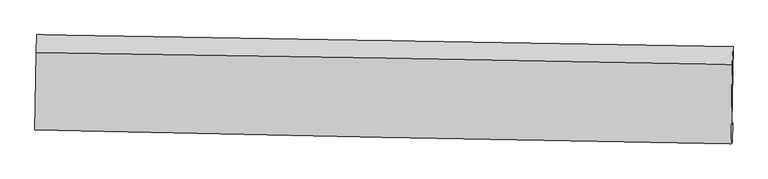
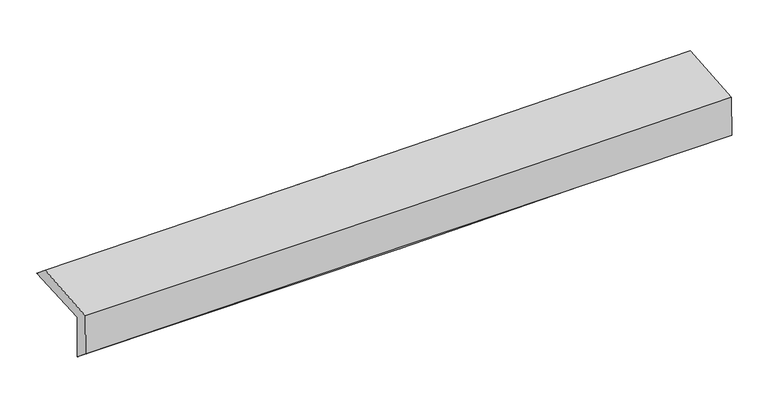
"""IFC4 building model written with IfcOpenShell, lengths in millimetres: proxy geometry."""

from ifc_helpers import new_model, si_unit, frame, origin, place, context, project, spatial, source, transform, mapped, element, save
from ifc_brep_helpers import plane_surface, spline_curve, spline_surface, advanced_brep


def generic_models_c04534aa(model_context):
    return source(origin(), model_context, "Body", "AdvancedBrep", [
        advanced_brep(
        [(-3019.9071214, -1758.3256556, 1969.8491719), (-3008.6851198, -1077.2354073, 1990.406118), (3004.7586169, -1179.0353269, 2124.2230059), (2993.6095025, -1852.5620894, 2110.2079801), (-3010.3233016, -1746.3237838, 1566.9728175), (3003.3141182, -1840.4089443, 1702.253714), (-3015.5665864, -1889.4325445, 1686.6120632), (2997.5435627, -2008.6771957, 1826.9755125), (-3024.7019101, -1900.8727621, 2070.6349248), (2988.3232836, -2020.2238035, 2214.5696566), (-3014.1753017, -1230.3225997, 2113.2879524), (2998.9880288, -1334.6957425, 2258.1730505)],
        [
            (0, 1),
            (1, 2, spline_curve(3, [(-3008.6851198, -1077.2354073, 1990.406118), (-2004.443943944, -1092.408218443, 2000.831015291), (-1000.49573778, -1108.491214929, 2017.219030001), (1003.983857683, -1142.429648634, 2061.858250497), (2004.516896891, -1160.279958711, 2090.075865191), (3004.7586169, -1179.0353269, 2124.2230059)], [4, 2, 4], [0.0, 9.88266416822704, 19.73745360372247])),
            (2, 3),
            (3, 0, spline_curve(3, [(2993.6095025, -1852.5620894, 2110.2079801), (1993.113852489, -1831.069258459, 2072.980402044), (992.447612205, -1812.476795729, 2042.676772314), (-1012.05696298, -1781.048220047, 1995.851278163), (-2015.896263668, -1768.228538381, 1979.368638607), (-3019.9071214, -1758.3256556, 1969.8491719)], [4, 2, 4], [0.0, 9.854789435495432, 19.73745360372247])),
            (4, 0),
            (3, 5),
            (5, 4, spline_curve(3, [(3003.3141182, -1840.4089443, 1702.253714), (2002.884535144, -1818.833377213, 1662.248867465), (1002.241336846, -1800.21205851, 1630.976607023), (-1002.303259342, -1768.833602249, 1585.833504055), (-2006.205868058, -1756.093200811, 1572.012132344), (-3010.3233016, -1746.3237838, 1566.9728175)], [4, 2, 4], [0.0, 9.854997066320713, 19.73786945266653])),
            (6, 4),
            (5, 7),
            (7, 6, spline_curve(3, [(2997.5435627, -2008.6771957, 1826.9755125), (1996.918839107, -1978.271475735, 1798.367610922), (996.221748204, -1953.138138639, 1772.37952043), (-1008.147891613, -1913.360053324, 1725.576862497), (-2011.820850323, -1898.745173254, 1704.777136658), (-3015.5665864, -1889.4325445, 1686.6120632)], [4, 2, 4], [0.0, 9.85490442083198, 19.73768389963697])),
            (8, 6),
            (7, 9),
            (9, 8, spline_curve(3, [(2988.3232836, -2020.2238035, 2214.5696566), (1987.435919925, -2003.413107877, 2186.787819019), (986.61438332, -1985.078042159, 2160.916576788), (-1017.727720841, -1945.302997098, 2112.927509002), (-2021.247915237, -1923.854382352, 2090.820507308), (-3024.7019101, -1900.8727621, 2070.6349248)], [4, 2, 4], [0.0, 9.85476553921056, 19.737405743560966])),
            (10, 8),
            (9, 11),
            (11, 10, spline_curve(3, [(2998.9880288, -1334.6957425, 2258.1730505), (1998.524278094, -1315.154743056, 2230.574164896), (997.90336777, -1296.697232771, 2204.715554304), (-1006.483518536, -1261.900046997, 2156.410662656), (-2010.250385304, -1245.566509713, 2133.974240596), (-3014.1753017, -1230.3225997, 2113.2879524)], [4, 2, 4], [0.0, 9.854629515354818, 19.737133311099647])),
            (1, 10),
            (11, 2),
        ],
        [
            spline_surface(3, 3, [[(-3019.9071214, -1758.3256556, 1969.8491719), (-2015.89626381, -1768.228538463, 1979.368638603), (-1012.056962841, -1781.048220159, 1995.851278123), (992.447612067, -1812.476795617, 2042.676772353), (1993.113852363, -1831.069258521, 2072.980402208), (2993.6095025, -1852.5620894, 2110.2079801)], [(-3016.166454212, -1531.295572824, 1976.701487254), (-2012.078823869, -1542.955098415, 1986.522764192), (-1008.203221102, -1556.862551719, 2002.973862061), (996.293027251, -1589.127746623, 2049.070598422), (1996.914867174, -1607.472825235, 2078.678889892), (2997.325873964, -1628.053168577, 2114.879655343)], [(-3012.425786988, -1304.265490076, 1983.553802646), (-2008.261383892, -1317.681658394, 1993.676889819), (-1004.349479409, -1332.676883324, 2010.096446), (1000.138442389, -1365.778697673, 2055.464424492), (2000.715881994, -1383.876391918, 2084.377377647), (3001.042245436, -1403.544247723, 2119.551330657)], [(-3008.6851198, -1077.2354073, 1990.406118), (-2004.443943951, -1092.408218345, 2000.831015409), (-1000.49573767, -1108.491214885, 2017.219029938), (1003.983857573, -1142.429648678, 2061.858250561), (2004.516896806, -1160.279958632, 2090.07586533), (3004.7586169, -1179.0353269, 2124.2230059)]], [4, 4], [4, 2, 4], [0.0, 2.203776598612098], [0.0, 9.88266416822704, 19.73745360372247]),
            spline_surface(3, 3, [[(-3010.3233016, -1746.3237838, 1566.9728175), (-2006.205867963, -1756.093200876, 1572.012132217), (-1002.303259474, -1768.833602253, 1585.833504005), (1002.241336978, -1800.212058505, 1630.976607073), (2002.884535087, -1818.833377312, 1662.248867495), (3003.3141182, -1840.4089443, 1702.253714)], [(-3013.517908195, -1750.324407734, 1701.26493562), (-2009.435999906, -1760.138313406, 1707.797634332), (-1005.554493931, -1772.905141579, 1722.506095382), (998.976762006, -1804.300304234, 1768.209995503), (1999.627640868, -1822.912004391, 1799.159379087), (3000.079246322, -1844.459992676, 1838.238469387)], [(-3016.712514805, -1754.325031666, 1835.55705378), (-2012.666131866, -1764.183425934, 1843.583136487), (-1008.805728384, -1776.976680832, 1859.178686747), (995.712187038, -1808.388549889, 1905.443383922), (1996.370746582, -1826.990631442, 1936.069890616), (2996.844374378, -1848.511041024, 1974.223224713)], [(-3019.9071214, -1758.3256556, 1969.8491719), (-2015.89626381, -1768.228538463, 1979.368638603), (-1012.056962841, -1781.048220159, 1995.851278123), (992.447612067, -1812.476795617, 2042.676772353), (1993.113852363, -1831.069258521, 2072.980402208), (2993.6095025, -1852.5620894, 2110.2079801)]], [4, 4], [4, 2, 4], [0.0, 1.3489338467183072], [0.0, 9.882872386345817, 19.73786945266653]),
            spline_surface(3, 3, [[(-3015.5665864, -1889.4325445, 1686.6120632), (-2011.820850337, -1898.745173095, 1704.777136712), (-1008.147891572, -1913.360053167, 1725.576862504), (996.221748163, -1953.138138796, 1772.379520424), (1996.918839093, -1978.271475758, 1798.367611043), (2997.5435627, -2008.6771957, 1826.9755125)], [(-3013.818824797, -1841.729624265, 1646.732314643), (-2009.949189542, -1851.194515687, 1660.522135224), (-1006.199680865, -1865.184569507, 1678.995743), (998.228277776, -1902.162778678, 1725.245215969), (1998.907404426, -1925.125442915, 1752.994696504), (2999.467081202, -1952.587778539, 1785.401579644)], [(-3012.071063203, -1794.026704035, 1606.852566057), (-2008.077528757, -1803.643858284, 1616.267133705), (-1004.251470181, -1817.009085912, 1632.414623509), (1000.234807365, -1851.187418624, 1678.110911528), (2000.895969754, -1871.979410155, 1707.621782034), (3001.390599698, -1896.498361461, 1743.827646856)], [(-3010.3233016, -1746.3237838, 1566.9728175), (-2006.205867963, -1756.093200876, 1572.012132217), (-1002.303259474, -1768.833602253, 1585.833504005), (1002.241336978, -1800.212058505, 1630.976607073), (2002.884535087, -1818.833377312, 1662.248867495), (3003.3141182, -1840.4089443, 1702.253714)]], [4, 4], [4, 2, 4], [0.0, 0.671661746285209], [0.0, 9.88277947880499, 19.73768389963697]),
            spline_surface(3, 3, [[(-3024.7019101, -1900.8727621, 2070.6349248), (-2021.247915353, -1923.85438251, 2090.820507393), (-1017.727720834, -1945.302997246, 2112.92750908), (986.614383312, -1985.078042012, 2160.916576709), (1987.435920032, -2003.413107745, 2186.787818969), (2988.3232836, -2020.2238035, 2214.5696566)], [(-3021.656802208, -1897.059356238, 1942.627304255), (-2018.105560355, -1915.484646043, 1962.139383821), (-1014.53444441, -1934.655349239, 1983.810626892), (989.816838265, -1974.431407627, 2031.404224617), (1990.596893049, -1995.032563772, 2057.314416334), (2991.396709964, -2016.374934256, 2085.371608574)], [(-3018.611694292, -1893.245950362, 1814.619683745), (-2014.963205334, -1907.114909562, 1833.458260284), (-1011.341167995, -1924.007701173, 1854.693744693), (993.01929321, -1963.784773181, 1901.891872516), (1993.757866076, -1986.652019731, 1927.841013678), (2994.470136336, -2012.526064944, 1956.173560526)], [(-3015.5665864, -1889.4325445, 1686.6120632), (-2011.820850337, -1898.745173095, 1704.777136712), (-1008.147891572, -1913.360053167, 1725.576862504), (996.221748163, -1953.138138796, 1772.379520424), (1996.918839093, -1978.271475758, 1798.367611043), (2997.5435627, -2008.6771957, 1826.9755125)]], [4, 4], [4, 2, 4], [0.0, 1.277470826121962], [0.0, 9.882640204350407, 19.737405743560966]),
            spline_surface(3, 3, [[(-3014.1753017, -1230.3225997, 2113.2879524), (-2010.250385319, -1245.566509803, 2133.97424069), (-1006.483518634, -1261.900047045, 2156.410662707), (997.903367867, -1296.697232724, 2204.715554252), (1998.524278035, -1315.15474306, 2230.574164887), (2998.9880288, -1334.6957425, 2258.1730505)], [(-3017.684171173, -1453.839320503, 2099.070276557), (-2013.91622867, -1471.662467375, 2119.589662948), (-1010.231586057, -1489.701030434, 2141.916278187), (994.140372992, -1526.157502475, 2190.115895093), (1994.828158701, -1544.574197945, 2215.978716241), (2995.433113734, -1563.205096157, 2243.638585859)], [(-3021.193040627, -1677.356041297, 2084.852600643), (-2017.582072001, -1697.758424939, 2105.205085135), (-1013.97965341, -1717.502013857, 2127.421893601), (990.377378188, -1755.61777226, 2175.516235868), (1991.132039366, -1773.99365286, 2201.383267616), (2991.878198666, -1791.714449843, 2229.104121241)], [(-3024.7019101, -1900.8727621, 2070.6349248), (-2021.247915353, -1923.85438251, 2090.820507393), (-1017.727720834, -1945.302997246, 2112.92750908), (986.614383312, -1985.078042012, 2160.916576709), (1987.435920032, -2003.413107745, 2186.787818969), (2988.3232836, -2020.2238035, 2214.5696566)]], [4, 4], [4, 2, 4], [0.0, 2.2551316517190383], [0.0, 9.88250379574483, 19.737133311099647]),
            spline_surface(3, 3, [[(-3008.6851198, -1077.2354073, 1990.406118), (-2004.443943951, -1092.408218345, 2000.831015409), (-1000.49573767, -1108.491214885, 2017.219029938), (1003.983857573, -1142.429648678, 2061.858250561), (2004.516896806, -1160.279958632, 2090.07586533), (3004.7586169, -1179.0353269, 2124.2230059)], [(-3010.515180415, -1128.264471437, 2031.36672947), (-2006.379424389, -1143.460982168, 2045.212090506), (-1002.491664658, -1159.627492274, 2063.616240837), (1001.95702767, -1193.852176696, 2109.477351767), (2002.519357197, -1211.904886769, 2136.908631876), (3002.835087515, -1230.922132095, 2168.873020793)], [(-3012.345241085, -1179.293535563, 2072.32734093), (-2008.314904881, -1194.513745981, 2089.593165593), (-1004.487591645, -1210.763769656, 2110.013451808), (999.93019777, -1245.274704706, 2157.096453046), (2000.521817644, -1263.529814923, 2183.741398342), (3000.911558185, -1282.808937305, 2213.523035607)], [(-3014.1753017, -1230.3225997, 2113.2879524), (-2010.250385319, -1245.566509803, 2133.97424069), (-1006.483518634, -1261.900047045, 2156.410662707), (997.903367867, -1296.697232724, 2204.715554252), (1998.524278035, -1315.15474306, 2230.574164887), (2998.9880288, -1334.6957425, 2258.1730505)]], [4, 4], [4, 2, 4], [0.0, 0.6849704191821048], [0.0, 9.882469106763992, 19.737064030980626]),
            plane_surface(frame((2997.7561854, -1705.9338504, 2039.4004866), z_axis=(0.9995841159436782, -0.01703068885599226, 0.023271243846986815), x_axis=(0.02377122130718795, 0.029768835088981326, -0.9992741092888426))),
            plane_surface(frame((-3015.5598902, -1600.4187921, 1899.6271746), z_axis=(-0.9995817994236055, 0.017171889695236066, -0.023266982300288473), x_axis=(-0.01646679382089445, -0.9994092968657682, -0.03016458253533469))),
        ],
        [
            (0, [[1, 2, 3, 4]]),
            (1, [[5, -4, 6, 7]]),
            (2, [[8, -7, 9, 10]]),
            (3, [[11, -10, 12, 13]]),
            (4, [[14, -13, 15, 16]]),
            (5, [[17, -16, 18, -2]]),
            (6, [[-12, -9, -6, -3, -18, -15]]),
            (7, [[-1, -5, -8, -11, -14, -17]]),
        ],
    ),
    ])


if __name__ == "__main__":
    model = new_model("IFC4")
    model_context = context("Model", 3, world=origin())
    ifc_project = project(units=[si_unit("LENGTHUNIT", "METRE", prefix="MILLI")], contexts=[model_context])
    site = spatial("IfcSite", under=ifc_project)
    building = spatial("IfcBuilding", under=site)
    placement = place(None, origin())
    generic_models_shape = generic_models_c04534aa(model_context)
    element("IfcBuildingElementProxy", 1, Name="Generic Models", at=placement, inside=building, context=model_context, shape_type="MappedRepresentation", body=[
        mapped(generic_models_shape, transform((0.0, 0.0, 0.0), x_axis=(1.0, 0.0, 0.0), y_axis=(0.0, 1.0, 0.0), z_axis=(0.0, 0.0, 1.0))),
    ])
    save(model, "model.ifc")
